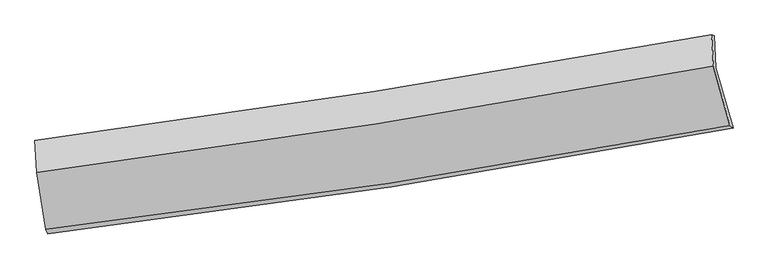
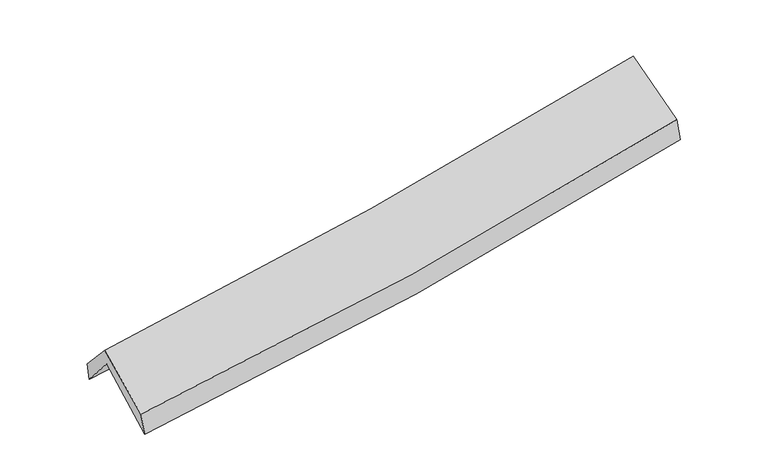
"""IFC4 building model written with IfcOpenShell, lengths in millimetres: proxy geometry."""

from ifc_helpers import new_model, si_unit, frame, origin, place, context, project, spatial, source, transform, mapped, element, save
from ifc_brep_helpers import plane_surface, spline_curve, spline_surface, advanced_brep


def generic_models_c9bfaca9(model_context):
    return source(origin(), model_context, "Body", "AdvancedBrep", [
        advanced_brep(
        [(-2768.9808676, -2506.8882801, 1456.0551365), (-2850.9786373, -2013.7269924, 1907.6061316), (2783.4348772, -1123.696413, 2392.7063961), (2926.9174129, -1625.0448389, 1947.9594488), (-2864.2881817, -1742.3385024, 1588.0215098), (2769.1758409, -857.6537175, 2089.9659594), (-2874.5526663, -1729.0568721, 1744.0335803), (2748.2340317, -850.7851918, 2261.2693977), (-2860.3051226, -1996.4380927, 2038.6411336), (2763.3753302, -1113.0759027, 2550.3083403), (-2783.757279, -2470.6801504, 1645.5575476), (2900.4522006, -1605.2525439, 2146.613926)],
        [
            (0, 1),
            (1, 2, spline_curve(3, [(-2850.9786373, -2013.7269924, 1907.6061316), (-1905.190281175, -1900.091132481, 1951.141927197), (-963.632186583, -1769.274957371, 2013.22444918), (914.537428638, -1472.727153672, 2174.785216872), (1851.1171724, -1306.866468868, 2274.402783147), (2783.4348772, -1123.696413, 2392.7063961)], [4, 2, 4], [0.0, 9.426146962393819, 18.88763161458285])),
            (2, 3),
            (3, 0, spline_curve(3, [(2926.9174129, -1625.0448389, 1947.9594488), (1983.840009354, -1805.880638643, 1836.09596789), (1036.747561085, -1969.891562346, 1739.123315669), (-861.915134438, -2263.713932429, 1575.266235055), (-1813.455446511, -2393.650822566, 1508.270783354), (-2768.9808676, -2506.8882801, 1456.0551365)], [4, 2, 4], [0.0, 9.461484652189032, 18.88763161458285])),
            (1, 4),
            (4, 5, spline_curve(3, [(-2864.2881817, -1742.3385024, 1588.0215098), (-1918.758203347, -1625.612379934, 1629.753111279), (-977.408367988, -1493.692000121, 1692.330282811), (900.44437379, -1198.911209102, 1859.488510573), (1836.915879094, -1035.936660137, 1964.226155453), (2769.1758409, -857.6537175, 2089.9659594)], [4, 2, 4], [0.0, 9.3774465654567, 18.790048247752054])),
            (5, 2),
            (4, 6),
            (6, 7, spline_curve(3, [(-2874.5526663, -1729.0568721, 1744.0335803), (-1933.549817293, -1604.907646469, 1805.7342263), (-995.354232306, -1469.801198794, 1879.584117796), (878.929088123, -1177.1262814, 2051.904793836), (1814.995735861, -1019.47550202, 2150.466841455), (2748.2340317, -850.7851918, 2261.2693977)], [4, 2, 4], [0.0, 9.367597246408787, 18.77031268553627])),
            (7, 5),
            (6, 8),
            (8, 9, spline_curve(3, [(-2860.3051226, -1996.4380927, 2038.6411336), (-1919.058332435, -1873.077784257, 2101.289424045), (-980.666347454, -1737.943910171, 2175.151707788), (893.915248327, -1443.57828801, 2345.623205537), (1830.083414219, -1284.258099103, 2442.316657299), (2763.3753302, -1113.0759027, 2550.3083403)], [4, 2, 4], [0.0, 9.359124461165576, 18.753335351418556])),
            (9, 7),
            (8, 10),
            (10, 11, spline_curve(3, [(-2783.757279, -2470.6801504, 1645.5575476), (-1830.169860257, -2359.735675019, 1696.451143847), (-880.570788175, -2232.310293418, 1763.544154487), (1014.195665174, -1943.958226585, 1930.441259551), (1959.333085841, -1782.907739669, 2030.367041879), (2900.4522006, -1605.2525439, 2146.613926)], [4, 2, 4], [0.0, 9.40660527216011, 18.848474974257478])),
            (11, 9),
            (10, 0),
            (3, 11),
        ],
        [
            spline_surface(3, 3, [[(-2768.9808676, -2506.8882801, 1456.0551365), (-1813.455446459, -2393.650822468, 1508.270783501), (-861.915134536, -2263.7139324, 1575.266235193), (1036.747561184, -1969.891562375, 1739.123315531), (1983.840009454, -1805.880638751, 1836.095967938), (2926.9174129, -1625.0448389, 1947.9594488)], [(-2796.313457496, -2342.501184185, 1606.572134883), (-1844.033724703, -2229.130925741, 1655.894498055), (-895.820818541, -2098.900940719, 1721.252306478), (996.010850365, -1804.170092794, 1884.343949314), (1939.599063733, -1639.542582116, 1982.198239678), (2879.089901015, -1457.928696963, 2096.20843125)], [(-2823.646047404, -2178.114088315, 1757.089133217), (-1874.612002959, -2064.611029059, 1803.518212558), (-929.726502607, -1934.087949065, 1867.238377825), (955.274139485, -1638.448623239, 2029.564583159), (1895.358117968, -1473.204525392, 2128.300511369), (2831.262389085, -1290.812554937, 2244.45741365)], [(-2850.9786373, -2013.7269924, 1907.6061316), (-1905.190281203, -1900.091132332, 1951.141927111), (-963.632186613, -1769.274957385, 2013.224449111), (914.537428667, -1472.727153658, 2174.785216942), (1851.117172247, -1306.866468757, 2274.402783109), (2783.4348772, -1123.696413, 2392.7063961)]], [4, 4], [4, 2, 4], [0.0, 2.198819094892717], [0.0, 9.426146962393819, 18.88763161458285]),
            spline_surface(3, 3, [[(-2850.9786373, -2013.7269924, 1907.6061316), (-1905.190281203, -1900.091132332, 1951.141927111), (-963.632186613, -1769.274957385, 2013.224449111), (914.537428667, -1472.727153658, 2174.785216942), (1851.117172247, -1306.866468757, 2274.402783109), (2783.4348772, -1123.696413, 2392.7063961)], [(-2855.415152108, -1923.264162394, 1801.077924321), (-1909.712921919, -1808.598214824, 1844.012321792), (-968.224247026, -1677.413971669, 1906.259727041), (909.839743659, -1381.455172114, 2069.686314796), (1846.383407838, -1216.556532585, 2171.01057383), (2778.681865094, -1035.01551449, 2291.792917173)], [(-2859.851666892, -1832.801332406, 1694.549717079), (-1914.235562611, -1717.105297332, 1736.88271651), (-972.816307434, -1585.552985933, 1799.295004961), (905.142058657, -1290.183190549, 1964.587412638), (1841.649643447, -1126.246596444, 2067.618364632), (2773.928853006, -946.33461601, 2190.879438327)], [(-2864.2881817, -1742.3385024, 1588.0215098), (-1918.758203327, -1625.612379824, 1629.753111191), (-977.408367848, -1493.692000218, 1692.330282892), (900.444373649, -1198.911209005, 1859.488510492), (1836.915879038, -1035.936660272, 1964.226155353), (2769.1758409, -857.6537175, 2089.9659594)]], [4, 4], [4, 2, 4], [0.0, 1.379631911041954], [0.0, 9.3774465654567, 18.790048247752054]),
            spline_surface(3, 3, [[(-2864.2881817, -1742.3385024, 1588.0215098), (-1918.758203327, -1625.612379824, 1629.753111191), (-977.408367848, -1493.692000218, 1692.330282892), (900.444373649, -1198.911209005, 1859.488510492), (1836.915879038, -1035.936660272, 1964.226155353), (2769.1758409, -857.6537175, 2089.9659594)], [(-2867.70967658, -1737.911292316, 1640.025533303), (-1923.688741356, -1618.710802078, 1688.413482946), (-983.390322693, -1485.728399771, 1754.748227898), (893.272611779, -1191.649566399, 1923.627271545), (1829.609164581, -1030.44960754, 2026.306384022), (2762.195237813, -855.364208934, 2147.067105504)], [(-2871.13117142, -1733.484082184, 1692.029556797), (-1928.619279346, -1611.809224285, 1747.073854693), (-989.372277457, -1477.764799388, 1817.166172939), (886.100849989, -1184.387923858, 1987.766032633), (1822.302450184, -1024.962554806, 2088.386612679), (2755.214634787, -853.074700366, 2204.168251596)], [(-2874.5526663, -1729.0568721, 1744.0335803), (-1933.549817376, -1604.907646539, 1805.734226448), (-995.354232302, -1469.801198941, 1879.584117945), (878.929088119, -1177.126281252, 2051.904793687), (1814.995735727, -1019.475502074, 2150.466841348), (2748.2340317, -850.7851918, 2261.2693977)]], [4, 4], [4, 2, 4], [0.0, 0.6306720454431884], [0.0, 9.367597246408787, 18.77031268553627]),
            spline_surface(3, 3, [[(-2874.5526663, -1729.0568721, 1744.0335803), (-1933.549817376, -1604.907646539, 1805.734226448), (-995.354232302, -1469.801198941, 1879.584117945), (878.929088119, -1177.126281252, 2051.904793687), (1814.995735727, -1019.475502074, 2150.466841348), (2748.2340317, -850.7851918, 2261.2693977)], [(-2869.80348507, -1818.183945633, 1842.23609807), (-1928.719322396, -1694.297692478, 1904.252625602), (-990.458270668, -1559.182102659, 1978.106647925), (883.924474886, -1265.943616869, 2149.810930968), (1820.024961934, -1107.736367726, 2247.75011328), (2753.281131209, -938.215428775, 2357.6157119)], [(-2865.05430383, -1907.311019167, 1940.43861583), (-1923.888827405, -1783.687738417, 2002.771024745), (-985.562309109, -1648.563006368, 2076.629177859), (888.91986158, -1354.760952478, 2247.717068204), (1825.054188114, -1195.997233355, 2345.033385213), (2758.328230691, -1025.645665725, 2453.9620261)], [(-2860.3051226, -1996.4380927, 2038.6411336), (-1919.058332426, -1873.077784356, 2101.289423899), (-980.666347475, -1737.943910086, 2175.151707839), (893.915248348, -1443.578288095, 2345.623205486), (1830.083414321, -1284.258099007, 2442.316657145), (2763.3753302, -1113.0759027, 2550.3083403)]], [4, 4], [4, 2, 4], [0.0, 1.3060824994477704], [0.0, 9.359124461165576, 18.753335351418556]),
            spline_surface(3, 3, [[(-2860.3051226, -1996.4380927, 2038.6411336), (-1919.058332426, -1873.077784356, 2101.289423899), (-980.666347475, -1737.943910086, 2175.151707839), (893.915248348, -1443.578288095, 2345.623205486), (1830.083414321, -1284.258099007, 2442.316657145), (2763.3753302, -1113.0759027, 2550.3083403)], [(-2834.78917473, -2154.518778611, 1907.613271605), (-1889.428841734, -2035.29708126, 1966.343330535), (-947.301160996, -1902.732704513, 2037.949190038), (934.00872058, -1610.371600969, 2207.229223513), (1873.166638184, -1450.47464585, 2305.000118693), (2809.067620329, -1277.134783088, 2415.743535554)], [(-2809.27322687, -2312.599464489, 1776.585409595), (-1859.799351053, -2197.516378131, 1831.397237154), (-913.93597452, -2067.5214989, 1900.746672253), (974.102192807, -1777.164913802, 2068.835241558), (1916.249862059, -1616.691192729, 2167.683580178), (2854.759910471, -1441.193663512, 2281.178730746)], [(-2783.757279, -2470.6801504, 1645.5575476), (-1830.169860361, -2359.735675035, 1696.45114379), (-880.570788041, -2232.310293327, 1763.544154452), (1014.195665039, -1943.958226676, 1930.441259586), (1959.333085923, -1782.907739572, 2030.367041725), (2900.4522006, -1605.2525439, 2146.613926)]], [4, 4], [4, 2, 4], [0.0, 2.152495079151133], [0.0, 9.40660527216011, 18.848474974257478]),
            spline_surface(3, 3, [[(-2783.757279, -2470.6801504, 1645.5575476), (-1830.169860361, -2359.735675035, 1696.45114379), (-880.570788041, -2232.310293327, 1763.544154452), (1014.195665039, -1943.958226676, 1930.441259586), (1959.333085923, -1782.907739572, 2030.367041725), (2900.4522006, -1605.2525439, 2146.613926)], [(-2778.831808516, -2482.74952696, 1582.390077217), (-1824.598389044, -2371.040724173, 1633.724357011), (-874.35223689, -2242.778173025, 1700.784848052), (1021.712963737, -1952.602671916, 1866.668611587), (1967.502060439, -1790.565372616, 1965.610017115), (2909.273938039, -1611.849975551, 2080.395766919)], [(-2773.906338084, -2494.81890354, 1519.222606883), (-1819.026917777, -2382.34577333, 1570.99757028), (-868.133685687, -2253.246052701, 1638.025541593), (1029.230262486, -1961.247117135, 1802.89596353), (1975.671034937, -1798.223005707, 1900.852992548), (2918.095675461, -1618.447407249, 2014.177607881)], [(-2768.9808676, -2506.8882801, 1456.0551365), (-1813.455446459, -2393.650822468, 1508.270783501), (-861.915134536, -2263.7139324, 1575.266235193), (1036.747561184, -1969.891562375, 1739.123315531), (1983.840009454, -1805.880638751, 1836.095967938), (2926.9174129, -1625.0448389, 1947.9594488)]], [4, 4], [4, 2, 4], [0.0, 0.6333935739501201], [0.0, 9.464007203565494, 18.963494031214246]),
            plane_surface(frame((2815.2649489, -1195.9181013, 2231.470578), z_axis=(0.9772227405149251, 0.1801027900984762, 0.11224393266116314), x_axis=(0.21051485154182842, -0.7558568579314989, -0.6199708925411288))),
            plane_surface(frame((-2833.8104591, -2076.5214817, 1729.9858399), z_axis=(-0.9919192956110571, -0.11406231355299341, -0.05555087417316956), x_axis=(-0.07636563259020349, 0.1871264032662118, 0.9793630579921571))),
        ],
        [
            (0, [[1, 2, 3, 4]]),
            (1, [[5, 6, 7, -2]]),
            (2, [[8, 9, 10, -6]]),
            (3, [[11, 12, 13, -9]]),
            (4, [[14, 15, 16, -12]]),
            (5, [[17, -4, 18, -15]]),
            (6, [[-16, -18, -3, -7, -10, -13]]),
            (7, [[-17, -14, -11, -8, -5, -1]]),
        ],
    ),
    ])


if __name__ == "__main__":
    model = new_model("IFC4")
    model_context = context("Model", 3, world=origin())
    ifc_project = project(units=[si_unit("LENGTHUNIT", "METRE", prefix="MILLI")], contexts=[model_context])
    site = spatial("IfcSite", under=ifc_project)
    building = spatial("IfcBuilding", under=site)
    placement = place(None, origin())
    generic_models_shape = generic_models_c9bfaca9(model_context)
    element("IfcBuildingElementProxy", 1, Name="Generic Models", at=placement, inside=building, context=model_context, shape_type="MappedRepresentation", body=[
        mapped(generic_models_shape, transform((0.0, 0.0, 0.0), x_axis=(1.0, 0.0, 0.0), y_axis=(0.0, 1.0, 0.0), z_axis=(0.0, 0.0, 1.0))),
    ])
    save(model, "model.ifc")
